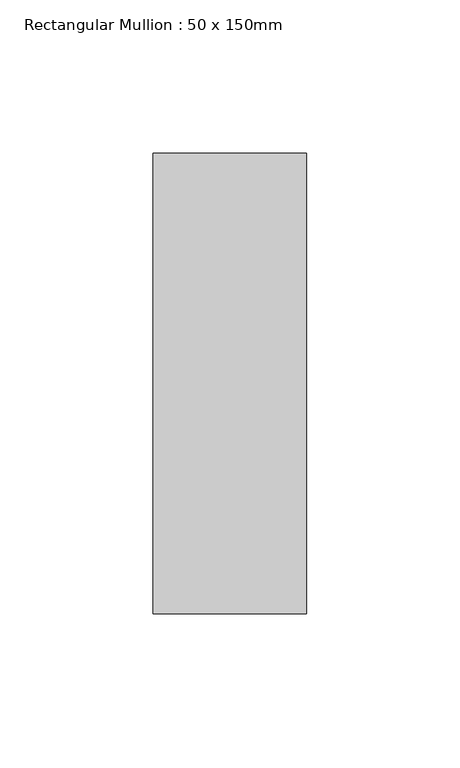
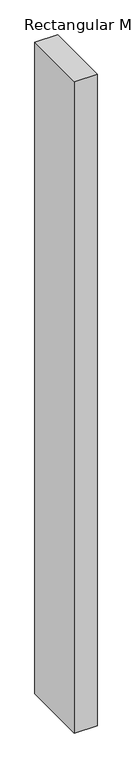
"""IFC4 building model written with IfcOpenShell, lengths in millimetres: member geometry, Rectangular Mullion : 50 x 150mm."""

from ifc_helpers import new_model, si_unit, frame, origin, place, context, project, spatial, polyline, outline, extrude, source, transform, mapped, element, save


def rectangular_mullion_50_x_150mm_220dcb47(model_context):
    return source(origin(), model_context, "Body", "SweptSolid", [
        extrude(outline(polyline([(0.0, 75.0), (0.0, -75.0), (-50.0, -75.0), (-50.0, 75.0), (0.0, 75.0)])), frame((0.0, 0.0, -1514.02512), z_axis=(0.0, 0.0, 1.0), x_axis=(1.0, 0.0, 0.0)), (0.0, 0.0, 1.0), 1514.02512),
    ])


if __name__ == "__main__":
    model = new_model("IFC4")
    model_context = context("Model", 3, world=origin())
    ifc_project = project(units=[si_unit("LENGTHUNIT", "METRE", prefix="MILLI")], contexts=[model_context])
    site = spatial("IfcSite", under=ifc_project)
    building = spatial("IfcBuilding", under=site)
    placement = place(None, origin())
    rectangular_mullion_50_x_150mm_shape = rectangular_mullion_50_x_150mm_220dcb47(model_context)
    element("IfcMember", 1, ObjectType="Rectangular Mullion : 50 x 150mm", at=placement, inside=building, context=model_context, shape_type="MappedRepresentation", body=[
        mapped(rectangular_mullion_50_x_150mm_shape, transform((0.0, 0.0, 0.0), x_axis=(1.0, 0.0, 0.0), y_axis=(0.0, 1.0, 0.0), z_axis=(0.0, 0.0, 1.0))),
    ])
    save(model, "model.ifc")
